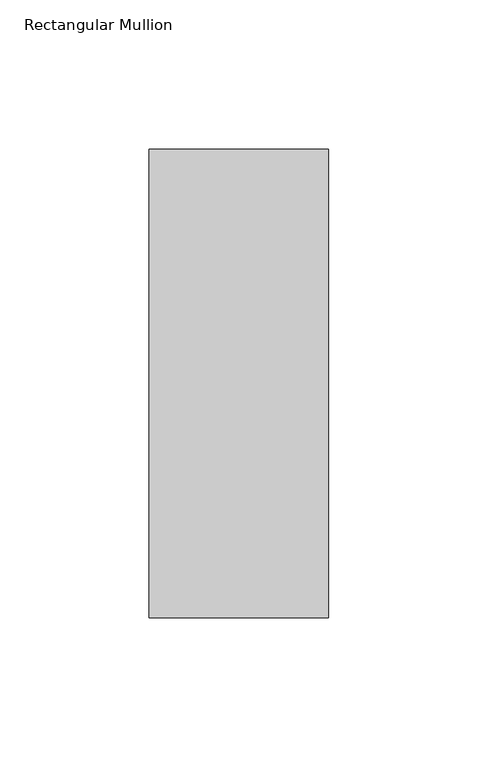
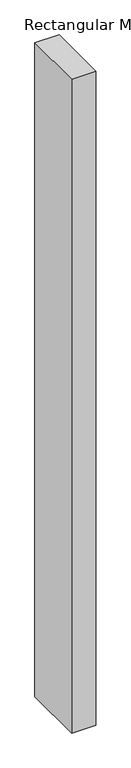
"""IFC4 building model written with IfcOpenShell, lengths in millimetres: member geometry, Rectangular Mullion."""

from ifc_helpers import new_model, si_unit, frame, origin, place, context, project, spatial, polyline, outline, extrude, source, transform, mapped, element, save


def rectangular_mullion_6270a87e(model_context):
    return source(origin(), model_context, "Body", "SweptSolid", [
        extrude(outline(polyline([(30.0, 113.875), (30.0, -42.875), (-30.0, -42.875), (-30.0, 113.875), (30.0, 113.875)])), frame((0.0, 0.0, -1708.8912252), z_axis=(0.0, 0.0, 1.0), x_axis=(1.0, 0.0, 0.0)), (0.0, 0.0, 1.0), 1708.8912252),
    ])


if __name__ == "__main__":
    model = new_model("IFC4")
    model_context = context("Model", 3, world=origin())
    ifc_project = project(units=[si_unit("LENGTHUNIT", "METRE", prefix="MILLI")], contexts=[model_context])
    site = spatial("IfcSite", under=ifc_project)
    building = spatial("IfcBuilding", under=site)
    placement = place(None, origin())
    rectangular_mullion_shape = rectangular_mullion_6270a87e(model_context)
    element("IfcMember", 1, ObjectType="Rectangular Mullion", at=placement, inside=building, context=model_context, shape_type="MappedRepresentation", body=[
        mapped(rectangular_mullion_shape, transform((0.0, 0.0, 0.0), x_axis=(1.0, 0.0, 0.0), y_axis=(0.0, 1.0, 0.0), z_axis=(0.0, 0.0, 1.0))),
    ])
    save(model, "model.ifc")
